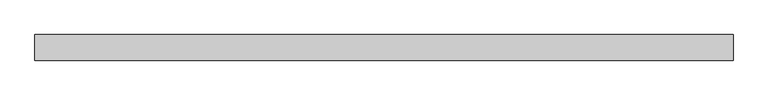
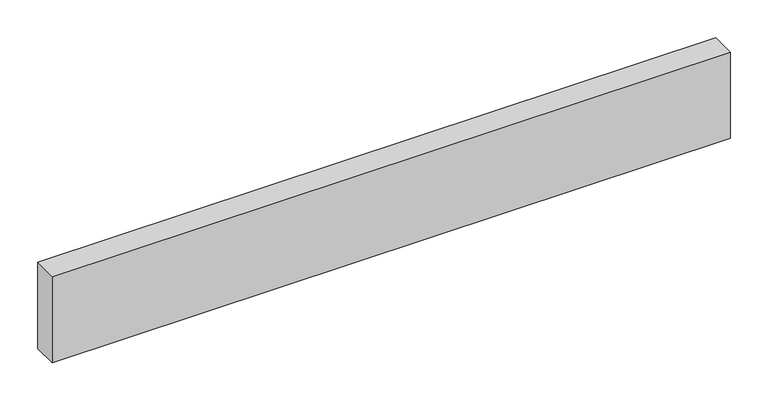
"""IFC4 building model written with IfcOpenShell, lengths in millimetres: beam geometry."""

from ifc_helpers import new_model, si_unit, frame, origin, place, context, project, spatial, polyline, outline, extrude, source, transform, mapped, element, save


def beam_809d8924(model_context):
    return source(origin(), model_context, "Body", "SweptSolid", [
        extrude(outline(polyline([(518.8148437, -19.05), (-518.8148438, -19.05), (-518.8148438, 19.05), (518.8148437, 19.05), (518.8148437, -19.05)])), frame((0.0, 0.0, -69.85), z_axis=(0.0, 0.0, 1.0), x_axis=(1.0, 0.0, 0.0)), (0.0, 0.0, 1.0), 139.7),
    ])


if __name__ == "__main__":
    model = new_model("IFC4")
    model_context = context("Model", 3, world=origin())
    ifc_project = project(units=[si_unit("LENGTHUNIT", "METRE", prefix="MILLI")], contexts=[model_context])
    site = spatial("IfcSite", under=ifc_project)
    building = spatial("IfcBuilding", under=site)
    placement = place(None, origin())
    beam_shape = beam_809d8924(model_context)
    element("IfcBeam", 1, at=placement, inside=building, context=model_context, shape_type="MappedRepresentation", body=[
        mapped(beam_shape, transform((0.0, 0.0, 0.0), x_axis=(1.0, 0.0, 0.0), y_axis=(0.0, 1.0, 0.0), z_axis=(0.0, 0.0, 1.0))),
    ])
    save(model, "model.ifc")
